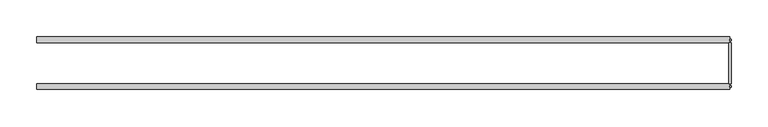
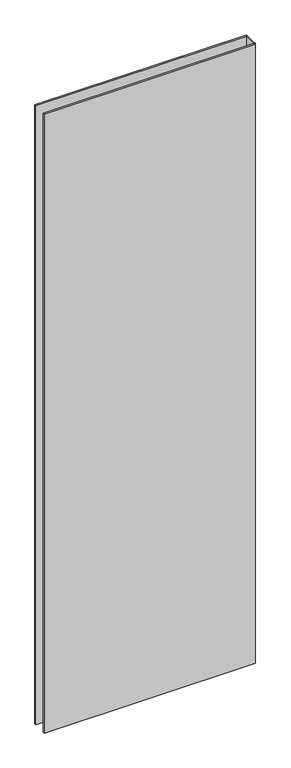
"""IFC4 building model written with IfcOpenShell, lengths in millimetres: plate geometry."""

from ifc_helpers import new_model, si_unit, origin, origin_with_axes, place, context, project, spatial, polyline, outline, extrude, source, transform, mapped, element, save


def plate_c31533e9(model_context):
    return source(origin(), model_context, "Body", "SweptSolid", [
        extrude(outline(polyline([(471.085358, 27.7), (471.085358, -27.7), (468.085358, -27.7), (468.085358, 27.7), (471.085358, 27.7)])), origin_with_axes(), (0.0, 0.0, 1.0), 2915.0),
        extrude(outline(polyline([(469.085358, 32.7), (471.085358, 32.7), (471.085358, 30.7), (469.085358, 30.7), (469.085358, 32.7)])), origin_with_axes(), (0.0, 0.0, 1.0), 2915.0),
        extrude(outline(polyline([(471.085358, -30.7), (471.085358, -32.7), (469.085358, -32.7), (469.085358, -30.7), (471.085358, -30.7)])), origin_with_axes(), (0.0, 0.0, 1.0), 2915.0),
        extrude(outline(polyline([(469.085358, 27.7), (-471.085358, 27.7), (-471.085358, 35.7), (469.085358, 35.7), (469.085358, 27.7)])), origin_with_axes(), (0.0, 0.0, 1.0), 2915.0),
        extrude(outline(polyline([(-471.085358, -35.7), (-471.085358, -27.7), (469.085358, -27.7), (469.085358, -35.7), (-471.085358, -35.7)])), origin_with_axes(), (0.0, 0.0, 1.0), 2915.0),
    ])


if __name__ == "__main__":
    model = new_model("IFC4")
    model_context = context("Model", 3, world=origin())
    ifc_project = project(units=[si_unit("LENGTHUNIT", "METRE", prefix="MILLI")], contexts=[model_context])
    site = spatial("IfcSite", under=ifc_project)
    building = spatial("IfcBuilding", under=site)
    placement = place(None, origin())
    plate_shape = plate_c31533e9(model_context)
    element("IfcPlate", 1, at=placement, inside=building, context=model_context, shape_type="MappedRepresentation", body=[
        mapped(plate_shape, transform((0.0, 0.0, 0.0), x_axis=(1.0, 0.0, 0.0), y_axis=(0.0, 1.0, 0.0), z_axis=(0.0, 0.0, 1.0))),
    ])
    save(model, "model.ifc")
